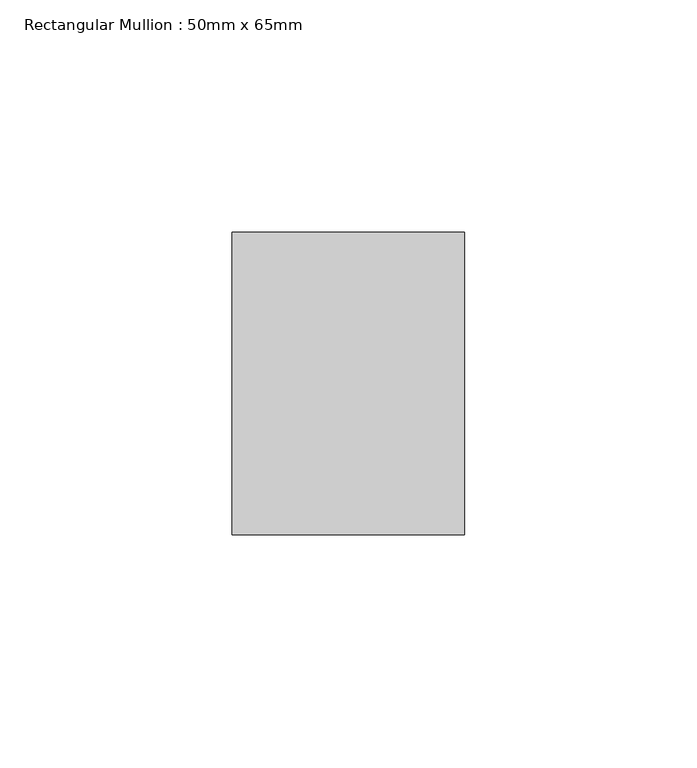
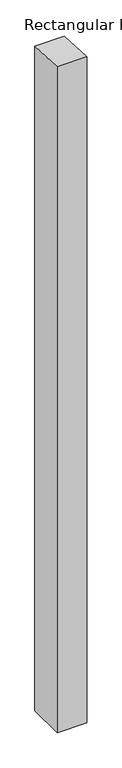
"""IFC4 building model written with IfcOpenShell, lengths in millimetres: member geometry, Rectangular Mullion : 50mm x 65mm."""

from ifc_helpers import new_model, si_unit, origin, place, context, project, spatial, faceted_brep, source, transform, mapped, element, save


def rectangular_mullion_50mm_x_65mm_056a82e1(model_context):
    return source(origin(), model_context, "Body", "Brep", [
        faceted_brep([(25.0, 32.5, -1189.1179577), (25.0, -32.5, -1189.1179577), (-25.0, -32.5, -1189.1179577), (-25.0, 32.5, -1189.1179577), (-25.0, 32.5, -1.241091), (25.0, 32.5, -1.2410914), (-25.0, -32.5, 1.2410914), (25.0, -32.5, 1.241091)], [[[0, 1, 2, 3]], [[4, 5, 0, 3]], [[6, 4, 3, 2]], [[7, 6, 2, 1]], [[5, 7, 1, 0]], [[5, 4, 6, 7]]]),
    ])


if __name__ == "__main__":
    model = new_model("IFC4")
    model_context = context("Model", 3, world=origin())
    ifc_project = project(units=[si_unit("LENGTHUNIT", "METRE", prefix="MILLI")], contexts=[model_context])
    site = spatial("IfcSite", under=ifc_project)
    building = spatial("IfcBuilding", under=site)
    placement = place(None, origin())
    rectangular_mullion_50mm_x_65mm_shape = rectangular_mullion_50mm_x_65mm_056a82e1(model_context)
    element("IfcMember", 1, ObjectType="Rectangular Mullion : 50mm x 65mm", at=placement, inside=building, context=model_context, shape_type="MappedRepresentation", body=[
        mapped(rectangular_mullion_50mm_x_65mm_shape, transform((0.0, 0.0, 0.0), x_axis=(1.0, 0.0, 0.0), y_axis=(0.0, 1.0, 0.0), z_axis=(0.0, 0.0, 1.0))),
    ])
    save(model, "model.ifc")
